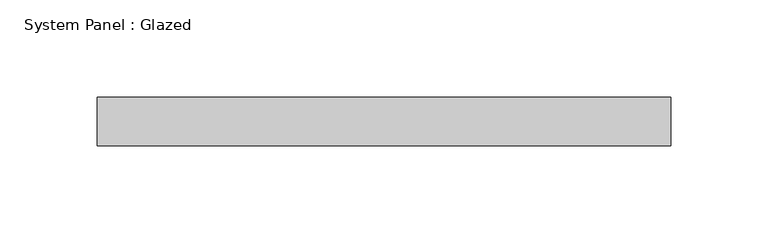
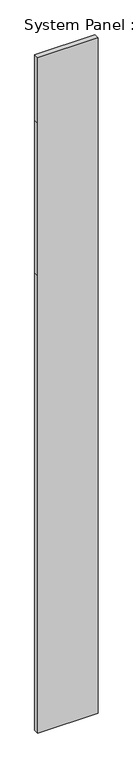
"""IFC4 building model written with IfcOpenShell, lengths in millimetres: plate geometry, System Panel : Glazed."""

from ifc_helpers import new_model, si_unit, frame, origin, place, context, project, spatial, polyline, outline, extrude, source, transform, mapped, element, save


def system_panel_glazed_6eb15656(model_context):
    return source(origin(), model_context, "Body", "SweptSolid", [
        extrude(outline(polyline([(0.0, -147.9076952), (0.0, 147.9076952), (2370.0, 147.9076952), (3160.0, 147.9076952), (3500.0, 147.9076952), (3500.0, -147.9076952), (3160.0, -147.9076952), (2370.0, -147.9076952), (0.0, -147.9076952)])), frame((0.0, -37.5, 0.0), z_axis=(0.0, 1.0, 0.0), x_axis=(0.0, 0.0, 1.0)), (0.0, 0.0, 1.0), 25.0),
    ])


if __name__ == "__main__":
    model = new_model("IFC4")
    model_context = context("Model", 3, world=origin())
    ifc_project = project(units=[si_unit("LENGTHUNIT", "METRE", prefix="MILLI")], contexts=[model_context])
    site = spatial("IfcSite", under=ifc_project)
    building = spatial("IfcBuilding", under=site)
    placement = place(None, origin())
    system_panel_glazed_shape = system_panel_glazed_6eb15656(model_context)
    element("IfcPlate", 1, ObjectType="System Panel : Glazed", at=placement, inside=building, context=model_context, shape_type="MappedRepresentation", body=[
        mapped(system_panel_glazed_shape, transform((0.0, 0.0, 0.0), x_axis=(1.0, 0.0, 0.0), y_axis=(0.0, 1.0, 0.0), z_axis=(0.0, 0.0, 1.0))),
    ])
    save(model, "model.ifc")
